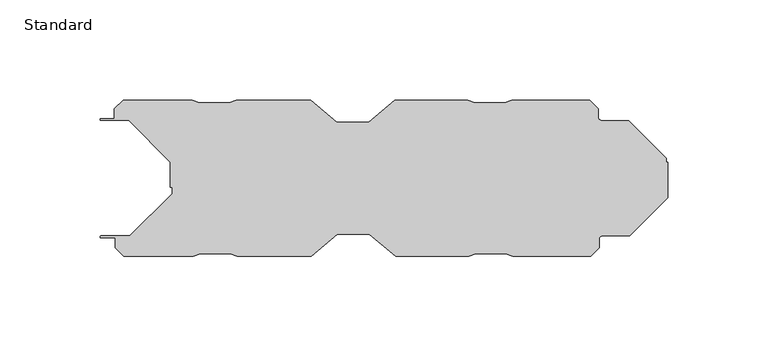
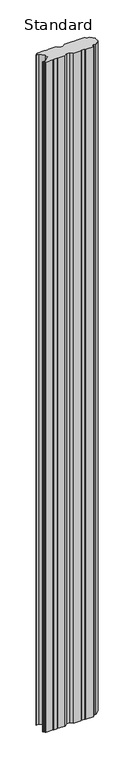
"""IFC4 building model written with IfcOpenShell, lengths in millimetres: plate geometry, Standard."""

from ifc_helpers import new_model, si_unit, point, frame_2d, origin, origin_with_axes, place, context, project, spatial, polyline, circle_curve, trimmed, segment, composite_curve, outline, extrude, source, transform, mapped, element, save


def standard_685a7863(model_context):
    return source(origin(), model_context, "Body", "SweptSolid", [
        extrude(outline(composite_curve([segment(polyline([(-19.8999993, 39.0), (-6.9000016, 28.000002), (9.1000036, 28.000002), (22.1000014, 39.0), (58.6000021, 39.0), (62.0999953, 37.800073), (77.1000068, 37.800073), (80.5999999, 39.0), (119.6000025, 39.0), (123.8426465, 34.7573565), (123.8426465, 30.425002)]), True, "CONTINUOUS"), segment(trimmed(circle_curve(frame_2d((125.4676465, 30.425002)), 1.625), [point((123.8426465, 30.425002))], [point((125.4676465, 28.800002))], True, "CARTESIAN"), True, "CONTINUOUS"), segment(polyline([(125.4676465, 28.800002), (139.042645, 28.800002), (157.7916395, 10.0510074), (157.7916395, 7.998993), (158.5916395, 7.998993), (158.5916395, -9.7010075), (139.4926439, -28.800002), (125.9176465, -28.800002)]), True, "CONTINUOUS"), segment(trimmed(circle_curve(frame_2d((125.9176465, -30.425002)), 1.625), [point((125.9176465, -28.800002))], [point((124.2926465, -30.425002))], True, "CARTESIAN"), True, "CONTINUOUS"), segment(polyline([(124.2926465, -30.425002), (124.2926465, -34.7573564), (120.050003, -39.0), (81.0500002, -39.0), (77.5500036, -37.800073), (62.5499985, -37.800073), (59.0500018, -39.0), (22.5500013, -39.0), (9.5500036, -28.000002), (-6.4500017, -28.000002), (-19.4499992, -39.0), (-56.4499991, -39.0), (-59.9499991, -37.800026), (-74.9499993, -37.800026), (-78.4499382, -39.000002), (-113.09647, -39.000002), (-117.4470258, -34.6494456), (-117.4470258, -29.750026), (-124.55, -29.750026)]), True, "CONTINUOUS"), segment(trimmed(circle_curve(frame_2d((-124.55, -29.300026)), 0.45), [point((-124.55, -29.750026))], [point((-124.55, -28.850026))], False, "CARTESIAN"), True, "CONTINUOUS"), segment(polyline([(-124.55, -28.850026), (-110.2535614, -28.850026), (-89.0868075, -7.683272), (-89.0868075, -4.613175), (-89.8868075, -4.613175), (-89.8868075, 8.033272), (-110.7035613, 28.8500259), (-124.5499999, 28.8500259)]), True, "CONTINUOUS"), segment(trimmed(circle_curve(frame_2d((-124.5499999, 29.3000259)), 0.4500001), [point((-124.5499999, 28.8500259))], [point((-124.5499999, 29.750026))], False, "CARTESIAN"), True, "CONTINUOUS"), segment(polyline([(-124.5499999, 29.750026), (-117.8999995, 29.750026), (-117.8999995, 34.6464725), (-113.5464454, 39.000026), (-78.9000082, 39.000026), (-75.3999993, 37.800026), (-60.3999979, 37.800026), (-56.8999992, 39.0), (-19.8999993, 39.0)]), True, "CONTINUOUS")], self_intersect=False)), origin_with_axes(), (0.0, 0.0, 1.0), 3497.7),
    ])


if __name__ == "__main__":
    model = new_model("IFC4")
    model_context = context("Model", 3, world=origin())
    ifc_project = project(units=[si_unit("LENGTHUNIT", "METRE", prefix="MILLI")], contexts=[model_context])
    site = spatial("IfcSite", under=ifc_project)
    building = spatial("IfcBuilding", under=site)
    placement = place(None, origin())
    standard_shape = standard_685a7863(model_context)
    element("IfcPlate", 1, ObjectType="Standard", at=placement, inside=building, context=model_context, shape_type="MappedRepresentation", body=[
        mapped(standard_shape, transform((0.0, 0.0, 0.0), x_axis=(1.0, 0.0, 0.0), y_axis=(0.0, 1.0, 0.0), z_axis=(0.0, 0.0, 1.0))),
    ])
    save(model, "model.ifc")
